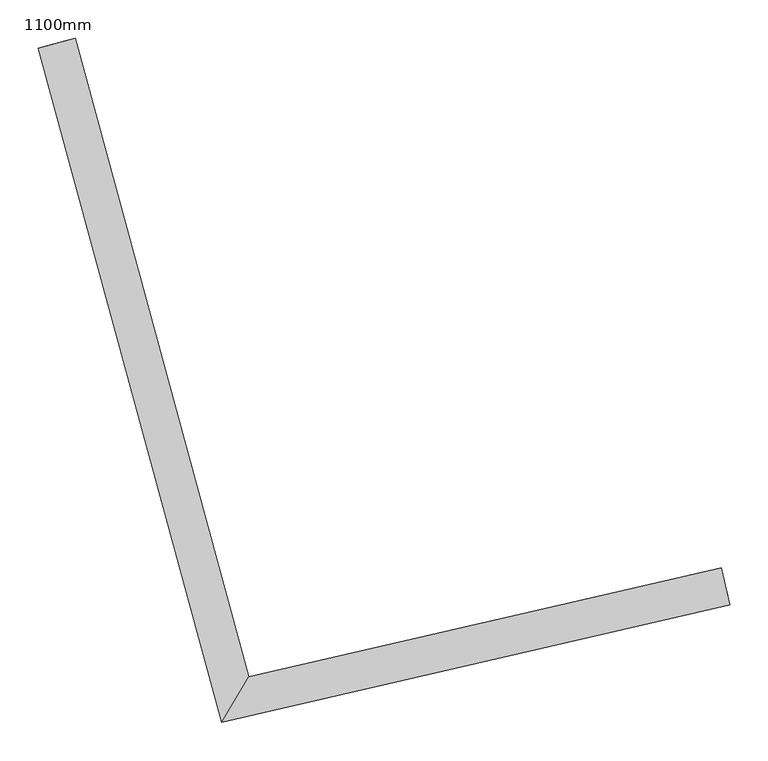
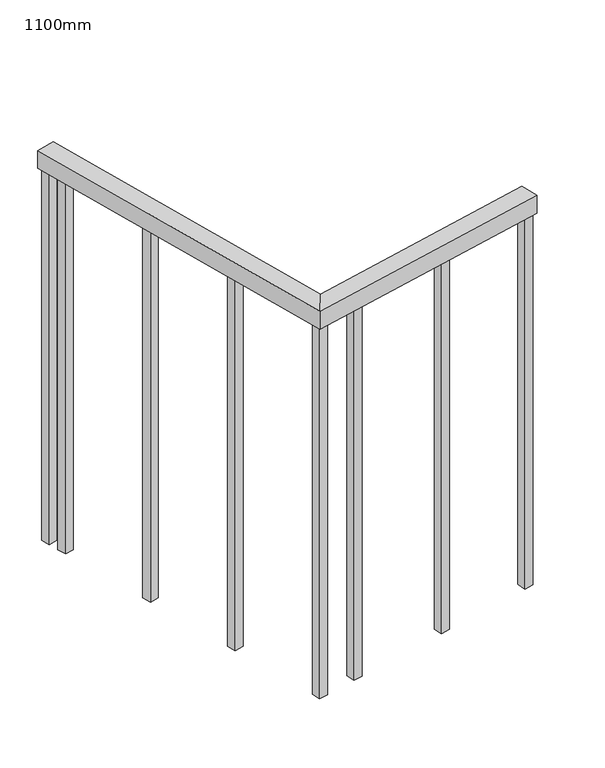
"""IFC4 building model written with IfcOpenShell, lengths in millimetres: railing geometry, 1100mm."""

from ifc_helpers import new_model, si_unit, frame, origin, place, context, project, spatial, polyline, outline, extrude, faceted_brep, source, transform, mapped, element, save


def railing_1100mm_4a192a9f(model_context):
    return source(origin(), model_context, "Body", "SolidModel", [
        faceted_brep([(51073.6785117, 41223.5089013, 1700.0), (51084.9260644, 41174.7903981, 1700.0), (51084.9260644, 41174.7903981, 1650.0), (51073.6785117, 41223.5089013, 1650.0), (50455.5317666, 41080.7984804, 1700.0), (50419.9013011, 41021.2573339, 1700.0), (50419.9013011, 41021.2573339, 1650.0), (50455.5317666, 41080.7984804, 1650.0), (50228.2350777, 41917.0479401, 1700.0), (50228.2350777, 41917.0479401, 1650.0), (50179.9856071, 41903.9334982, 1650.0), (50179.9856071, 41903.9334982, 1700.0)], [[[0, 1, 2, 3]], [[1, 0, 4, 5]], [[2, 1, 5, 6]], [[3, 2, 6, 7]], [[0, 3, 7, 4]], [[8, 9, 10, 11]], [[5, 4, 8, 11]], [[6, 5, 11, 10]], [[7, 6, 10, 9]], [[4, 7, 9, 8]]]),
        extrude(outline(polyline([(50236.6692214, 41838.3604152), (50212.5444861, 41831.8031943), (50205.9872652, 41855.9279296), (50230.1120005, 41862.4851505), (50236.6692214, 41838.3604152)])), frame((0.0, 0.0, 600.0), z_axis=(0.0, 0.0, 1.0), x_axis=(1.0, 0.0, 0.0)), (0.0, 0.0, 1.0), 1050.0),
        extrude(outline(polyline([(50308.7986516, 41572.9883268), (50284.6739163, 41566.4311059), (50278.1166954, 41590.5558412), (50302.2414307, 41597.1130621), (50308.7986516, 41572.9883268)])), frame((0.0, 0.0, 600.0), z_axis=(0.0, 0.0, 1.0), x_axis=(1.0, 0.0, 0.0)), (0.0, 0.0, 1.0), 1050.0),
        extrude(outline(polyline([(50380.9280818, 41307.6162384), (50356.8033465, 41301.0590175), (50350.2461256, 41325.1837528), (50374.3708609, 41331.7409737), (50380.9280818, 41307.6162384)])), frame((0.0, 0.0, 600.0), z_axis=(0.0, 0.0, 1.0), x_axis=(1.0, 0.0, 0.0)), (0.0, 0.0, 1.0), 1050.0),
        extrude(outline(polyline([(50552.76649, 41090.4180838), (50558.3902664, 41066.0588322), (50534.0310148, 41060.4350558), (50528.4072384, 41084.7943074), (50552.76649, 41090.4180838)])), frame((0.0, 0.0, 600.0), z_axis=(0.0, 0.0, 1.0), x_axis=(1.0, 0.0, 0.0)), (0.0, 0.0, 1.0), 1050.0),
        extrude(outline(polyline([(50820.7182579, 41152.2796237), (50826.3420342, 41127.9203721), (50801.9827826, 41122.2965958), (50796.3590062, 41146.6558474), (50820.7182579, 41152.2796237)])), frame((0.0, 0.0, 600.0), z_axis=(0.0, 0.0, 1.0), x_axis=(1.0, 0.0, 0.0)), (0.0, 0.0, 1.0), 1050.0),
        extrude(outline(polyline([(50447.0842715, 41066.0194212), (50452.7080479, 41041.6601696), (50428.3487962, 41036.0363932), (50422.7250199, 41060.3956448), (50447.0842715, 41066.0194212)])), frame((0.0, 0.0, 600.0), z_axis=(0.0, 0.0, 1.0), x_axis=(1.0, 0.0, 0.0)), (0.0, 0.0, 1.0), 1050.0),
        extrude(outline(polyline([(50222.729931, 41889.6445943), (50198.6051957, 41883.0873734), (50192.0479747, 41907.2121087), (50216.1727101, 41913.7693296), (50222.729931, 41889.6445943)])), frame((0.0, 0.0, 600.0), z_axis=(0.0, 0.0, 1.0), x_axis=(1.0, 0.0, 0.0)), (0.0, 0.0, 1.0), 1050.0),
        extrude(outline(polyline([(51076.4903999, 41211.3292755), (51082.1141762, 41186.9700239), (51057.7549246, 41181.3462475), (51052.1311483, 41205.7054992), (51076.4903999, 41211.3292755)])), frame((0.0, 0.0, 600.0), z_axis=(0.0, 0.0, 1.0), x_axis=(1.0, 0.0, 0.0)), (0.0, 0.0, 1.0), 1050.0),
    ])


if __name__ == "__main__":
    model = new_model("IFC4")
    model_context = context("Model", 3, world=origin())
    ifc_project = project(units=[si_unit("LENGTHUNIT", "METRE", prefix="MILLI")], contexts=[model_context])
    site = spatial("IfcSite", under=ifc_project)
    building = spatial("IfcBuilding", under=site)
    placement = place(None, origin())
    railing_1100mm_shape = railing_1100mm_4a192a9f(model_context)
    element("IfcRailing", 1, ObjectType="1100mm", at=placement, inside=building, context=model_context, shape_type="MappedRepresentation", body=[
        mapped(railing_1100mm_shape, transform((0.0, 0.0, 0.0), x_axis=(1.0, 0.0, 0.0), y_axis=(0.0, 1.0, 0.0), z_axis=(0.0, 0.0, 1.0))),
    ])
    save(model, "model.ifc")
